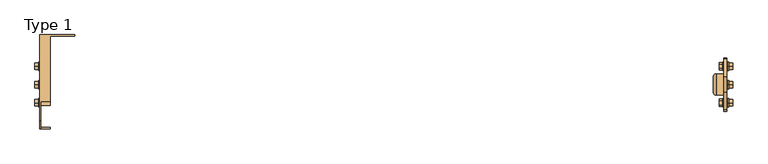
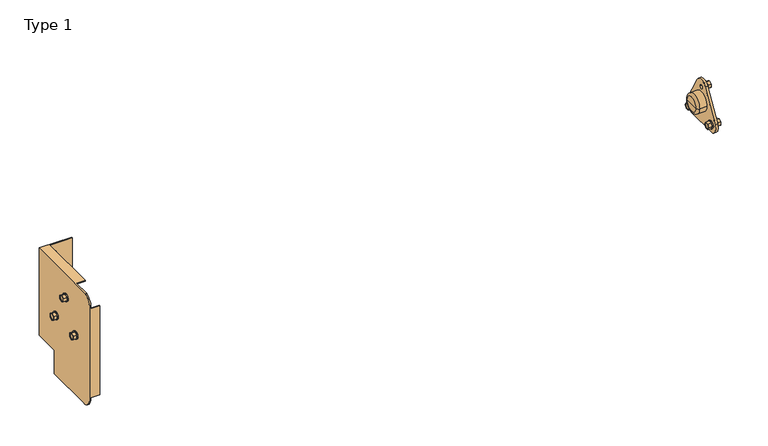
"""IFC4 building model written with IfcOpenShell, lengths in millimetres: door geometry, Type 1."""

import ifcopenshell
import ifcopenshell.guid

model = None  # the IFC model being written
_history = None  # IfcOwnerHistory: only IFC2X3 demands one
_inside = {}  # id of a spatial element -> (the spatial element, [elements in it])
_under = {}  # id of a project, library or spatial element -> (it, [spatial elements below it])
_declared = {}  # id of a project -> (the project, [libraries it declares])
_typed = {}  # id of a type object -> (the type object, [elements of that type])
_made_of = {}  # id of a material, layer set ... -> (it, [elements and type objects made of it])


def new_model(schema):
    """Start an empty IFC model of exactly this schema.

    Asked for "IFC4X3", IfcOpenShell would pick the latest addendum, in which some entities
    have other attributes; the version numbers below select the first issue.
    IFC2X3 requires an IfcOwnerHistory on every rooted entity: one is made here for all.
    """
    global model, _history
    if schema == "IFC4X3":
        model = ifcopenshell.file(schema_version=(4, 3, 0, 0))
    else:
        model = ifcopenshell.file(schema=schema)
    _inside.clear()
    _under.clear()
    _declared.clear()
    _typed.clear()
    _made_of.clear()
    _history = None
    if model.schema == "IFC2X3":
        org = make("IfcOrganization", Name="unknown")
        user = make(
            "IfcPersonAndOrganization",
            ThePerson=make("IfcPerson", FamilyName="unknown"),
            TheOrganization=org,
        )
        app = make(
            "IfcApplication",
            ApplicationDeveloper=org,
            Version="unknown",
            ApplicationFullName="unknown",
            ApplicationIdentifier="unknown",
        )
        _history = make(
            "IfcOwnerHistory",
            OwningUser=user,
            OwningApplication=app,
            ChangeAction="ADDED",
            CreationDate=0,
        )
    return model


def make(cls, **values):
    """One entity of the class cls with the attributes given. An attribute that is None is left unset."""
    return model.create_entity(
        cls, **{name: value for name, value in values.items() if value is not None}
    )


def rooted(cls, **values):
    """An entity with a GlobalId (a new one), such as an element, a storey or a relation."""
    return make(cls, GlobalId=ifcopenshell.guid.new(), OwnerHistory=_history, **values)


def si_unit(unit_type, name, prefix=None):
    """IfcSIUnit, for example si_unit("LENGTHUNIT", "METRE", prefix="MILLI")."""
    return make("IfcSIUnit", UnitType=unit_type, Prefix=prefix, Name=name)


def assignment(units):
    """IfcUnitAssignment: the units of a project."""
    return None if units is None else make("IfcUnitAssignment", Units=units)


def point(xyz):
    """IfcCartesianPoint."""
    return None if xyz is None else make("IfcCartesianPoint", Coordinates=xyz)


def direction(xyz):
    """IfcDirection."""
    return None if xyz is None else make("IfcDirection", DirectionRatios=xyz)


def frame(location, z_axis=None, x_axis=None):
    """IfcAxis2Placement3D, a coordinate frame: its origin and axes. An axis left out is left unset."""
    return make(
        "IfcAxis2Placement3D",
        Location=point(location),
        Axis=direction(z_axis),
        RefDirection=direction(x_axis),
    )


def frame_2d(location, x_axis=None):
    """IfcAxis2Placement2D, a coordinate frame in the plane: its origin and x axis."""
    return make(
        "IfcAxis2Placement2D", Location=point(location), RefDirection=direction(x_axis)
    )


def origin():
    """The frame at (0, 0, 0) with its axes left unset."""
    return frame((0.0, 0.0, 0.0))


def place(relative_to, where):
    """IfcLocalPlacement: puts the frame where relative to a parent placement (None: the world)."""
    return make(
        "IfcLocalPlacement", PlacementRelTo=relative_to, RelativePlacement=where
    )


def context(
    kind, dimensions, precision=None, world=None, true_north=None, identifier=None
):
    """IfcGeometricRepresentationContext, for example the 3D "Model" context."""
    return make(
        "IfcGeometricRepresentationContext",
        ContextIdentifier=identifier,
        ContextType=kind,
        CoordinateSpaceDimension=dimensions,
        Precision=precision,
        WorldCoordinateSystem=world,
        TrueNorth=true_north,
    )


def project(units=None, contexts=None):
    """IfcProject with its units and contexts."""
    return rooted(
        "IfcProject",
        Name="project",
        RepresentationContexts=contexts,
        UnitsInContext=assignment(units),
    )


def spatial(cls, under=None, at=None, **own):
    """A site, building, storey or space (cls), placed at a placement, below another one or the project."""
    s = rooted(cls, ObjectPlacement=at, **own)
    if under is not None:
        _under.setdefault(under.id(), (under, []))[1].append(s)
    return s


def polyline(points):
    """IfcPolyline through the points."""
    return make("IfcPolyline", Points=[point(p) for p in points])


def circle_curve(where, radius):
    """IfcCircle in the frame where."""
    return make("IfcCircle", Position=where, Radius=radius)


def ellipse_curve(where, semi_axis1, semi_axis2):
    """IfcEllipse in the frame where."""
    return make(
        "IfcEllipse", Position=where, SemiAxis1=semi_axis1, SemiAxis2=semi_axis2
    )


def trimmed(basis, trim1, trim2, sense, master):
    """IfcTrimmedCurve: the piece of a basis curve between two trims."""
    return make(
        "IfcTrimmedCurve",
        BasisCurve=basis,
        Trim1=trim1,
        Trim2=trim2,
        SenseAgreement=sense,
        MasterRepresentation=master,
    )


def segment(curve, same_sense, transition):
    """IfcCompositeCurveSegment."""
    return make(
        "IfcCompositeCurveSegment",
        Transition=transition,
        SameSense=same_sense,
        ParentCurve=curve,
    )


def composite_curve(segments, self_intersect=None):
    """IfcCompositeCurve: segments joined end to end."""
    return make("IfcCompositeCurve", Segments=segments, SelfIntersect=self_intersect)


def outline(outer, holes=None, kind="AREA"):
    """IfcArbitraryClosedProfileDef: a profile drawn as a closed curve; with holes, ...WithVoids."""
    if holes is None:
        return make("IfcArbitraryClosedProfileDef", ProfileType=kind, OuterCurve=outer)
    return make(
        "IfcArbitraryProfileDefWithVoids",
        ProfileType=kind,
        OuterCurve=outer,
        InnerCurves=holes,
    )


def extrude(swept, where, along, depth):
    """IfcExtrudedAreaSolid: the profile swept, set in the frame where, extruded along a direction by depth."""
    return make(
        "IfcExtrudedAreaSolid",
        SweptArea=swept,
        Position=where,
        ExtrudedDirection=direction(along),
        Depth=depth,
    )


def faces_of(points, faces, orient=None, outer=None):
    """IfcFace entities. A face is a list of loops; a loop is a list of indices into points, from 0.

    orient and outer hold one flag for each loop. By default every Orientation is true, the
    first loop of a face is its IfcFaceOuterBound and the others are IfcFaceBound.
    """
    made = []
    for i, loops in enumerate(faces):
        bounds = []
        for j, loop in enumerate(loops):
            is_outer = j == 0 if outer is None else outer[i][j]
            bounds.append(
                make(
                    "IfcFaceOuterBound" if is_outer else "IfcFaceBound",
                    Bound=make("IfcPolyLoop", Polygon=[points[k] for k in loop]),
                    Orientation=True if orient is None else orient[i][j],
                )
            )
        made.append(make("IfcFace", Bounds=bounds))
    return made


def faceted_brep(points, faces, orient=None, outer=None, voids=None):
    """IfcFacetedBrep: a solid bounded by flat faces; with voids (closed shells), ...WithVoids."""
    shared = [point(p) for p in points]
    hull = make("IfcClosedShell", CfsFaces=faces_of(shared, faces, orient, outer))
    if voids is None:
        return make("IfcFacetedBrep", Outer=hull)
    return make(
        "IfcFacetedBrepWithVoids",
        Outer=hull,
        Voids=[
            make(cls, CfsFaces=faces_of(shared, fs, o, b)) for cls, fs, o, b in voids
        ],
    )


def shape(context_of_items, identifier, shape_type, items):
    """IfcShapeRepresentation: the items that make up one representation, for example the "Body"."""
    return make(
        "IfcShapeRepresentation",
        ContextOfItems=context_of_items,
        RepresentationIdentifier=identifier,
        RepresentationType=shape_type,
        Items=items,
    )


def source(mapping_origin, context_of_items, identifier, shape_type, items):
    """IfcRepresentationMap: a shape defined once, which mapped items show again and again."""
    return make(
        "IfcRepresentationMap",
        MappingOrigin=mapping_origin,
        MappedRepresentation=shape(context_of_items, identifier, shape_type, items),
    )


def transform(
    local_origin,
    x_axis=None,
    y_axis=None,
    z_axis=None,
    scale=None,
    scale2=None,
    scale3=None,
    uniform=True,
):
    """IfcCartesianTransformationOperator3D, or its non-uniform kind. x_axis, y_axis, z_axis: its Axis1, 2, 3."""
    if uniform:
        return make(
            "IfcCartesianTransformationOperator3D",
            Axis1=direction(x_axis),
            Axis2=direction(y_axis),
            LocalOrigin=point(local_origin),
            Scale=scale,
            Axis3=direction(z_axis),
        )
    return make(
        "IfcCartesianTransformationOperator3DnonUniform",
        Axis1=direction(x_axis),
        Axis2=direction(y_axis),
        LocalOrigin=point(local_origin),
        Scale=scale,
        Axis3=direction(z_axis),
        Scale2=scale2,
        Scale3=scale3,
    )


def mapped(mapping_source, mapping_target):
    """IfcMappedItem: shows the shape of a source again, moved by a transform."""
    return make(
        "IfcMappedItem", MappingSource=mapping_source, MappingTarget=mapping_target
    )


def made_of(thing, what):
    """Note that an element or type object is made of a material, layer set ...; save() writes the relation."""
    if what is not None:
        _made_of.setdefault(what.id(), (what, []))[1].append(thing)
    return thing


def element(
    cls,
    number,
    at=None,
    inside=None,
    cuts=None,
    type_object=None,
    material=None,
    context=None,
    identifier="Body",
    shape_type=None,
    held_by="IfcProductDefinitionShape",
    body=None,
    shapes=None,
    **own,
):
    """One element of the class cls, such as IfcWall. Its Tag is "e" and its number.

    at: its placement. inside: the storey or other place that contains it. cuts: it is an
    opening in that element (IfcRelVoidsElement). A single representation is given by context,
    identifier, shape_type and body (its items); several are given by shapes. held_by: the class
    of the entity that holds the representations. save() writes the other relations.
    """
    e = rooted(cls, Tag="e%d" % number, ObjectPlacement=at, **own)
    if body is not None:
        shapes = [shape(context, identifier, shape_type, body)]
    if shapes is not None:
        e.Representation = make(held_by, Representations=shapes)
    if inside is not None:
        _inside.setdefault(inside.id(), (inside, []))[1].append(e)
    if cuts is not None:
        rooted(
            "IfcRelVoidsElement", RelatingBuildingElement=cuts, RelatedOpeningElement=e
        )
    if type_object is not None:
        _typed.setdefault(type_object.id(), (type_object, []))[1].append(e)
    return made_of(e, material)


def aggregate(whole, parts):
    """IfcRelAggregates: a whole, such as a stair, and the parts it consists of."""
    return rooted("IfcRelAggregates", RelatingObject=whole, RelatedObjects=parts)


def save(model, path):
    """Write the relations noted so far, then the file.

    IfcRelAggregates (storeys below a building ...), IfcRelContainedInSpatialStructure (elements
    in a storey), IfcRelDefinesByType, IfcRelAssociatesMaterial and IfcRelDeclares: one each for
    every whole, place, type object, material and project.
    """
    for whole, parts in _under.values():
        aggregate(whole, parts)
    for where, things in _inside.values():
        rooted(
            "IfcRelContainedInSpatialStructure",
            RelatedElements=things,
            RelatingStructure=where,
        )
    for kind, things in _typed.values():
        rooted("IfcRelDefinesByType", RelatedObjects=things, RelatingType=kind)
    for what, things in _made_of.values():
        rooted("IfcRelAssociatesMaterial", RelatedObjects=things, RelatingMaterial=what)
    for by, libraries in _declared.values():
        rooted("IfcRelDeclares", RelatingContext=by, RelatedDefinitions=libraries)
    model.write(path)


def plane_surface(at):
    """IfcPlane: the flat surface through the origin of the frame at, square to its z axis."""
    return make("IfcPlane", Position=at)


def cylinder_surface(at, radius):
    """IfcCylindricalSurface: all points at the distance radius from the z axis of the frame at."""
    return make("IfcCylindricalSurface", Position=at, Radius=radius)


def revolved_surface(curve, axis_point, axis_direction):
    """IfcSurfaceOfRevolution: the curve turned about the line through axis_point along axis_direction."""
    return make(
        "IfcSurfaceOfRevolution",
        SweptCurve=make("IfcArbitraryOpenProfileDef", ProfileType="CURVE", Curve=curve),
        AxisPosition=make("IfcAxis1Placement", Location=point(axis_point), Axis=direction(axis_direction)),
    )


def advanced_brep(points, edges, surfaces, faces):
    """IfcAdvancedBrep: a solid bounded by faces that lie on surfaces and meet in shared edges.

    An edge is (start, end): straight between two places in points (the first is 0);
    or (start, end, curve); or (start, end, curve, False) where it runs against its curve.
    A face is (place in surfaces, loops), or (place, loops, False) where it looks against
    its surface's normal. A loop lists edges by number (the first is 1), with a minus sign
    where the edge is run from its end to its start. The first loop is the outer one.
    """
    corners = [point(p) for p in points]
    vertices = [make("IfcVertexPoint", VertexGeometry=c) for c in corners]
    made = []
    for start, end, *more in edges:
        made.append(
            make(
                "IfcEdgeCurve",
                EdgeStart=vertices[start],
                EdgeEnd=vertices[end],
                EdgeGeometry=more[0] if more else make("IfcPolyline", Points=[corners[start], corners[end]]),
                SameSense=more[1] if len(more) > 1 else True,
            )
        )
    hull = []
    for where, loops, *sense in faces:
        bounds = []
        for j, loop in enumerate(loops):
            ring = [make("IfcOrientedEdge", EdgeElement=made[abs(k) - 1], Orientation=k > 0) for k in loop]
            bounds.append(
                make(
                    "IfcFaceOuterBound" if j == 0 else "IfcFaceBound",
                    Bound=make("IfcEdgeLoop", EdgeList=ring),
                    Orientation=True,
                )
            )
        hull.append(make("IfcAdvancedFace", Bounds=bounds, FaceSurface=surfaces[where], SameSense=sense[0] if sense else True))
    return make("IfcAdvancedBrep", Outer=make("IfcClosedShell", CfsFaces=hull))


def type_1_9fb91b3e(model_context):
    return source(origin(), model_context, "Body", "SolidModel", [
        faceted_brep([(633.7, -170.7981266, 2137.2589329), (633.7, -163.8018734, 2137.2589329), (633.7, -160.3037469, 2131.2), (633.7, -163.8018734, 2125.1410671), (633.7, -170.7981266, 2125.1410671), (633.7, -174.2962531, 2131.2), (633.7, -170.3, 2126.0038476), (633.7, -164.3, 2126.0038476), (633.7, -161.3, 2131.2), (633.7, -164.3, 2136.3961524), (633.7, -170.3, 2136.3961524), (633.7, -173.3, 2131.2), (640.7, -170.7981266, 2137.2589329), (640.7, -174.2962531, 2131.2), (640.7, -170.7981266, 2125.1410671), (640.7, -163.8018734, 2125.1410671), (640.7, -160.3037469, 2131.2), (640.7, -163.8018734, 2137.2589329), (634.7, -170.3, 2126.0038476), (634.7, -173.3, 2131.2), (634.7, -170.3, 2136.3961524), (634.7, -164.3, 2136.3961524), (634.7, -161.3, 2131.2), (634.7, -164.3, 2126.0038476)], [[[0, 1, 2, 3, 4, 5], [6, 7, 8, 9, 10, 11]], [[12, 13, 14, 15, 16, 17]], [[1, 0, 12, 17]], [[2, 1, 17, 16]], [[3, 2, 16, 15]], [[4, 3, 15, 14]], [[5, 4, 14, 13]], [[0, 5, 13, 12]], [[18, 19, 20, 21, 22, 23]], [[18, 23, 7, 6]], [[23, 22, 8, 7]], [[22, 21, 9, 8]], [[21, 20, 10, 9]], [[20, 19, 11, 10]], [[19, 18, 6, 11]]]),
        extrude(outline(composite_curve([segment(trimmed(circle_curve(frame_2d((-167.3, 2131.2)), 8.0), [point((-159.3, 2131.2))], [point((-175.3, 2131.2))], False, "CARTESIAN"), True, "CONTINUOUS"), segment(trimmed(circle_curve(frame_2d((-167.3, 2131.2)), 8.0), [point((-175.3, 2131.2))], [point((-159.3, 2131.2))], False, "CARTESIAN"), True, "CONTINUOUS")], self_intersect=False), holes=[composite_curve([segment(trimmed(circle_curve(frame_2d((-167.3, 2131.2)), 4.5), [point((-162.8, 2131.2))], [point((-171.8, 2131.2))], True, "CARTESIAN"), True, "CONTINUOUS"), segment(trimmed(circle_curve(frame_2d((-167.3, 2131.2)), 4.5), [point((-171.8, 2131.2))], [point((-162.8, 2131.2))], True, "CARTESIAN"), True, "CONTINUOUS")], self_intersect=False)]), frame((640.7, 0.0, 0.0), z_axis=(1.0, 0.0, 0.0), x_axis=(0.0, 1.0, 0.0)), (0.0, 0.0, 1.0), 2.0),
        faceted_brep([(633.7, -101.5981266, 2137.2589329), (633.7, -94.6018734, 2137.2589329), (633.7, -91.1037469, 2131.2), (633.7, -94.6018734, 2125.1410671), (633.7, -101.5981266, 2125.1410671), (633.7, -105.0962531, 2131.2), (633.7, -101.1, 2126.0038476), (633.7, -95.1, 2126.0038476), (633.7, -92.1, 2131.2), (633.7, -95.1, 2136.3961524), (633.7, -101.1, 2136.3961524), (633.7, -104.1, 2131.2), (640.7, -101.5981266, 2137.2589329), (640.7, -105.0962531, 2131.2), (640.7, -101.5981266, 2125.1410671), (640.7, -94.6018734, 2125.1410671), (640.7, -91.1037469, 2131.2), (640.7, -94.6018734, 2137.2589329), (634.7, -101.1, 2126.0038476), (634.7, -104.1, 2131.2), (634.7, -101.1, 2136.3961524), (634.7, -95.1, 2136.3961524), (634.7, -92.1, 2131.2), (634.7, -95.1, 2126.0038476)], [[[0, 1, 2, 3, 4, 5], [6, 7, 8, 9, 10, 11]], [[12, 13, 14, 15, 16, 17]], [[1, 0, 12, 17]], [[2, 1, 17, 16]], [[3, 2, 16, 15]], [[4, 3, 15, 14]], [[5, 4, 14, 13]], [[0, 5, 13, 12]], [[18, 19, 20, 21, 22, 23]], [[18, 23, 7, 6]], [[23, 22, 8, 7]], [[22, 21, 9, 8]], [[21, 20, 10, 9]], [[20, 19, 11, 10]], [[19, 18, 6, 11]]]),
        extrude(outline(composite_curve([segment(trimmed(circle_curve(frame_2d((-98.1, 2131.2)), 8.0), [point((-90.1, 2131.2))], [point((-106.1, 2131.2))], False, "CARTESIAN"), True, "CONTINUOUS"), segment(trimmed(circle_curve(frame_2d((-98.1, 2131.2)), 8.0), [point((-106.1, 2131.2))], [point((-90.1, 2131.2))], False, "CARTESIAN"), True, "CONTINUOUS")], self_intersect=False), holes=[composite_curve([segment(trimmed(circle_curve(frame_2d((-98.1, 2131.2)), 4.5), [point((-93.6, 2131.2))], [point((-102.6, 2131.2))], True, "CARTESIAN"), True, "CONTINUOUS"), segment(trimmed(circle_curve(frame_2d((-98.1, 2131.2)), 4.5), [point((-102.6, 2131.2))], [point((-93.6, 2131.2))], True, "CARTESIAN"), True, "CONTINUOUS")], self_intersect=False)]), frame((640.7, 0.0, 0.0), z_axis=(1.0, 0.0, 0.0), x_axis=(0.0, 1.0, 0.0)), (0.0, 0.0, 1.0), 2.0),
        advanced_brep(
        [(622.7, -147.7, 2161.2), (622.7, -117.7, 2161.2), (622.7, -132.7, 2161.2), (627.7, -152.7, 2161.2), (627.7, -112.7, 2161.2), (642.7, -152.7, 2161.2), (642.7, -112.7, 2161.2), (642.7, -132.7, 2161.2)],
        [
            (0, 1, circle_curve(frame((622.7, -132.7, 2161.2), z_axis=(-1.0, 0.0, 0.0), x_axis=(0.0, 1.0, 0.0)), 15.0)),
            (1, 2),
            (2, 0),
            (1, 0, circle_curve(frame((622.7, -132.7, 2161.2), z_axis=(-1.0, 0.0, 0.0), x_axis=(0.0, 1.0, 0.0)), 15.0)),
            (3, 4, circle_curve(frame((627.7, -132.7, 2161.2), z_axis=(-1.0, 0.0, 0.0), x_axis=(0.0, 1.0, 0.0)), 20.0)),
            (4, 1, circle_curve(frame((627.7, -117.7, 2161.2), z_axis=(0.0, 0.0, 1.0), x_axis=(0.0, -1.0, 0.0)), 5.0)),
            (0, 3, circle_curve(frame((627.7, -147.7, 2161.2), z_axis=(0.0, 0.0, 1.0), x_axis=(0.0, 1.0, 0.0)), 5.0)),
            (4, 3, circle_curve(frame((627.7, -132.7, 2161.2), z_axis=(-1.0, 0.0, 0.0), x_axis=(0.0, 1.0, 0.0)), 20.0)),
            (5, 6, circle_curve(frame((642.7, -132.7, 2161.2), z_axis=(-1.0, 0.0, 0.0), x_axis=(0.0, 1.0, 0.0)), 20.0)),
            (6, 4),
            (3, 5),
            (6, 5, circle_curve(frame((642.7, -132.7, 2161.2), z_axis=(-1.0, 0.0, 0.0), x_axis=(0.0, 1.0, 0.0)), 20.0)),
            (7, 6),
            (5, 7),
        ],
        [
            plane_surface(frame((622.7, -132.7, 2161.2), z_axis=(-1.0, 0.0, 0.0), x_axis=(0.0, 1.0, 0.0))),
            revolved_surface(trimmed(ellipse_curve(frame((627.7, -117.7, 2161.2), z_axis=(0.0, 0.0, -1.0), x_axis=(0.0, -1.0, 0.0)), 5.0, 5.0), [point((622.7, -117.7, 2161.2))], [point((627.7, -112.7, 2161.2))], True, "CARTESIAN"), (-1961.3581012, -132.7, 2161.2), (1.0, 0.0, 0.0)),
            cylinder_surface(frame((-1961.3581012, -132.7, 2161.2), z_axis=(1.0, 0.0, 0.0), x_axis=(0.0, 1.0, 0.0)), 20.0),
            plane_surface(frame((642.7, -132.7, 2161.2), z_axis=(1.0, 0.0, 0.0), x_axis=(0.0, 1.0, 0.0))),
        ],
        [
            (0, [[1, 2, 3]]),
            (0, [[4, -3, -2]]),
            (1, [[5, 6, -1, 7]]),
            (1, [[8, -7, -4, -6]]),
            (2, [[9, 10, -5, 11]]),
            (2, [[12, -11, -8, -10]]),
            (3, [[13, -9, 14]]),
            (3, [[-14, -12, -13]]),
        ],
    ),
        extrude(outline(composite_curve([segment(trimmed(circle_curve(frame_2d((-132.7, 2191.2)), 16.0), [point((-146.5605075, 2199.1928926))], [point((-118.8394925, 2199.1928926))], False, "CARTESIAN"), True, "CONTINUOUS"), segment(polyline([(-118.8394925, 2199.1928926), (-84.2394925, 2139.1928926)]), True, "CONTINUOUS"), segment(trimmed(circle_curve(frame_2d((-98.1, 2131.2)), 16.0), [point((-84.2394925, 2139.1928926))], [point((-98.1, 2115.2))], False, "CARTESIAN"), True, "CONTINUOUS"), segment(polyline([(-98.1, 2115.2), (-167.3, 2115.2)]), True, "CONTINUOUS"), segment(trimmed(circle_curve(frame_2d((-167.3, 2131.2)), 16.0), [point((-167.3, 2115.2))], [point((-181.1605075, 2139.1928926))], False, "CARTESIAN"), True, "CONTINUOUS"), segment(polyline([(-181.1605075, 2139.1928926), (-146.5605075, 2199.1928926)]), True, "CONTINUOUS")], self_intersect=False), holes=[composite_curve([segment(trimmed(circle_curve(frame_2d((-132.7, 2191.2)), 4.0), [point((-128.7, 2191.2))], [point((-136.7, 2191.2))], True, "CARTESIAN"), True, "CONTINUOUS"), segment(trimmed(circle_curve(frame_2d((-132.7, 2191.2)), 4.0), [point((-136.7, 2191.2))], [point((-128.7, 2191.2))], True, "CARTESIAN"), True, "CONTINUOUS")], self_intersect=False), composite_curve([segment(trimmed(circle_curve(frame_2d((-98.1, 2131.2)), 4.0), [point((-94.1, 2131.2))], [point((-102.1, 2131.2))], True, "CARTESIAN"), True, "CONTINUOUS"), segment(trimmed(circle_curve(frame_2d((-98.1, 2131.2)), 4.0), [point((-102.1, 2131.2))], [point((-94.1, 2131.2))], True, "CARTESIAN"), True, "CONTINUOUS")], self_intersect=False), composite_curve([segment(trimmed(circle_curve(frame_2d((-167.3, 2131.2)), 4.0), [point((-163.3, 2131.2))], [point((-171.3, 2131.2))], True, "CARTESIAN"), True, "CONTINUOUS"), segment(trimmed(circle_curve(frame_2d((-167.3, 2131.2)), 4.0), [point((-171.3, 2131.2))], [point((-163.3, 2131.2))], True, "CARTESIAN"), True, "CONTINUOUS")], self_intersect=False)]), frame((642.7, 0.0, 0.0), z_axis=(1.0, 0.0, 0.0), x_axis=(0.0, 1.0, 0.0)), (0.0, 0.0, 1.0), 5.0),
        faceted_brep([(-659.0, -104.1179168, 2134.6981266), (-659.0, -98.0589838, 2138.1962531), (-659.0, -92.0000509, 2134.6981266), (-659.0, -92.0000509, 2127.7018734), (-659.0, -98.0589838, 2124.2037469), (-659.0, -104.1179168, 2127.7018734), (-659.0, -92.8628314, 2134.2), (-659.0, -98.0589838, 2137.2), (-659.0, -103.2551363, 2134.2), (-659.0, -103.2551363, 2128.2), (-659.0, -98.0589838, 2125.2), (-659.0, -92.8628314, 2128.2), (-652.0, -104.1179168, 2134.6981266), (-652.0, -104.1179168, 2127.7018734), (-652.0, -98.0589838, 2124.2037469), (-652.0, -92.0000509, 2127.7018734), (-652.0, -92.0000509, 2134.6981266), (-652.0, -98.0589838, 2138.1962531), (-658.0, -92.8628314, 2134.2), (-658.0, -92.8628314, 2128.2), (-658.0, -98.0589838, 2125.2), (-658.0, -103.2551363, 2128.2), (-658.0, -103.2551363, 2134.2), (-658.0, -98.0589838, 2137.2)], [[[0, 1, 2, 3, 4, 5], [6, 7, 8, 9, 10, 11]], [[12, 13, 14, 15, 16, 17]], [[5, 13, 12, 0]], [[4, 14, 13, 5]], [[3, 15, 14, 4]], [[2, 16, 15, 3]], [[1, 17, 16, 2]], [[0, 12, 17, 1]], [[18, 19, 20, 21, 22, 23]], [[18, 6, 11, 19]], [[19, 11, 10, 20]], [[20, 10, 9, 21]], [[21, 9, 8, 22]], [[22, 8, 7, 23]], [[23, 7, 6, 18]]]),
        extrude(outline(composite_curve([segment(trimmed(circle_curve(frame_2d((-98.0589838, 2131.2)), 8.0), [point((-98.0589838, 2123.2))], [point((-98.0589838, 2139.2))], False, "CARTESIAN"), True, "CONTINUOUS"), segment(trimmed(circle_curve(frame_2d((-98.0589838, 2131.2)), 8.0), [point((-98.0589838, 2139.2))], [point((-98.0589838, 2123.2))], False, "CARTESIAN"), True, "CONTINUOUS")], self_intersect=False), holes=[composite_curve([segment(trimmed(circle_curve(frame_2d((-98.0589838, 2131.2)), 4.5), [point((-98.0589838, 2126.7))], [point((-98.0589838, 2135.7))], True, "CARTESIAN"), True, "CONTINUOUS"), segment(trimmed(circle_curve(frame_2d((-98.0589838, 2131.2)), 4.5), [point((-98.0589838, 2135.7))], [point((-98.0589838, 2126.7))], True, "CARTESIAN"), True, "CONTINUOUS")], self_intersect=False)]), frame((-652.0, 0.0, 0.0), z_axis=(1.0, 0.0, 0.0), x_axis=(0.0, 1.0, 0.0)), (0.0, 0.0, 1.0), 2.0),
        faceted_brep([(-659.0, -173.3999491, 2134.6981266), (-659.0, -167.3410162, 2138.1962531), (-659.0, -161.2820832, 2134.6981266), (-659.0, -161.2820832, 2127.7018734), (-659.0, -167.3410162, 2124.2037469), (-659.0, -173.3999491, 2127.7018734), (-659.0, -162.1448637, 2134.2), (-659.0, -167.3410162, 2137.2), (-659.0, -172.5371686, 2134.2), (-659.0, -172.5371686, 2128.2), (-659.0, -167.3410162, 2125.2), (-659.0, -162.1448637, 2128.2), (-652.0, -173.3999491, 2134.6981266), (-652.0, -173.3999491, 2127.7018734), (-652.0, -167.3410162, 2124.2037469), (-652.0, -161.2820832, 2127.7018734), (-652.0, -161.2820832, 2134.6981266), (-652.0, -167.3410162, 2138.1962531), (-658.0, -162.1448637, 2134.2), (-658.0, -162.1448637, 2128.2), (-658.0, -167.3410162, 2125.2), (-658.0, -172.5371686, 2128.2), (-658.0, -172.5371686, 2134.2), (-658.0, -167.3410162, 2137.2)], [[[0, 1, 2, 3, 4, 5], [6, 7, 8, 9, 10, 11]], [[12, 13, 14, 15, 16, 17]], [[5, 13, 12, 0]], [[4, 14, 13, 5]], [[3, 15, 14, 4]], [[2, 16, 15, 3]], [[1, 17, 16, 2]], [[0, 12, 17, 1]], [[18, 19, 20, 21, 22, 23]], [[18, 6, 11, 19]], [[19, 11, 10, 20]], [[20, 10, 9, 21]], [[21, 9, 8, 22]], [[22, 8, 7, 23]], [[23, 7, 6, 18]]]),
        extrude(outline(composite_curve([segment(trimmed(circle_curve(frame_2d((-167.3410162, 2131.2)), 8.0), [point((-167.3410162, 2123.2))], [point((-167.3410162, 2139.2))], False, "CARTESIAN"), True, "CONTINUOUS"), segment(trimmed(circle_curve(frame_2d((-167.3410162, 2131.2)), 8.0), [point((-167.3410162, 2139.2))], [point((-167.3410162, 2123.2))], False, "CARTESIAN"), True, "CONTINUOUS")], self_intersect=False), holes=[composite_curve([segment(trimmed(circle_curve(frame_2d((-167.3410162, 2131.2)), 4.5), [point((-167.3410162, 2126.7))], [point((-167.3410162, 2135.7))], True, "CARTESIAN"), True, "CONTINUOUS"), segment(trimmed(circle_curve(frame_2d((-167.3410162, 2131.2)), 4.5), [point((-167.3410162, 2135.7))], [point((-167.3410162, 2126.7))], True, "CARTESIAN"), True, "CONTINUOUS")], self_intersect=False)]), frame((-652.0, 0.0, 0.0), z_axis=(1.0, 0.0, 0.0), x_axis=(0.0, 1.0, 0.0)), (0.0, 0.0, 1.0), 2.0),
        faceted_brep([(-659.0, -138.7589329, 2194.6981266), (-659.0, -132.7, 2198.1962531), (-659.0, -126.6410671, 2194.6981266), (-659.0, -126.6410671, 2187.7018734), (-659.0, -132.7, 2184.2037469), (-659.0, -138.7589329, 2187.7018734), (-659.0, -127.5038476, 2194.2), (-659.0, -132.7, 2197.2), (-659.0, -137.8961524, 2194.2), (-659.0, -137.8961524, 2188.2), (-659.0, -132.7, 2185.2), (-659.0, -127.5038476, 2188.2), (-652.0, -138.7589329, 2194.6981266), (-652.0, -138.7589329, 2187.7018734), (-652.0, -132.7, 2184.2037469), (-652.0, -126.6410671, 2187.7018734), (-652.0, -126.6410671, 2194.6981266), (-652.0, -132.7, 2198.1962531), (-658.0, -127.5038476, 2194.2), (-658.0, -127.5038476, 2188.2), (-658.0, -132.7, 2185.2), (-658.0, -137.8961524, 2188.2), (-658.0, -137.8961524, 2194.2), (-658.0, -132.7, 2197.2)], [[[0, 1, 2, 3, 4, 5], [6, 7, 8, 9, 10, 11]], [[12, 13, 14, 15, 16, 17]], [[5, 13, 12, 0]], [[4, 14, 13, 5]], [[3, 15, 14, 4]], [[2, 16, 15, 3]], [[1, 17, 16, 2]], [[0, 12, 17, 1]], [[18, 19, 20, 21, 22, 23]], [[18, 6, 11, 19]], [[19, 11, 10, 20]], [[20, 10, 9, 21]], [[21, 9, 8, 22]], [[22, 8, 7, 23]], [[23, 7, 6, 18]]]),
        extrude(outline(composite_curve([segment(trimmed(circle_curve(frame_2d((-132.7, 2191.2)), 8.0), [point((-132.7, 2183.2))], [point((-132.7, 2199.2))], False, "CARTESIAN"), True, "CONTINUOUS"), segment(trimmed(circle_curve(frame_2d((-132.7, 2191.2)), 8.0), [point((-132.7, 2199.2))], [point((-132.7, 2183.2))], False, "CARTESIAN"), True, "CONTINUOUS")], self_intersect=False), holes=[composite_curve([segment(trimmed(circle_curve(frame_2d((-132.7, 2191.2)), 4.5), [point((-132.7, 2186.7))], [point((-132.7, 2195.7))], True, "CARTESIAN"), True, "CONTINUOUS"), segment(trimmed(circle_curve(frame_2d((-132.7, 2191.2)), 4.5), [point((-132.7, 2195.7))], [point((-132.7, 2186.7))], True, "CARTESIAN"), True, "CONTINUOUS")], self_intersect=False)]), frame((-652.0, 0.0, 0.0), z_axis=(1.0, 0.0, 0.0), x_axis=(0.0, 1.0, 0.0)), (0.0, 0.0, 1.0), 2.0),
        advanced_brep(
        [(-647.7, -194.5, 2001.0), (-647.7, -171.9, 2001.0), (-647.7, -171.9, 2003.3), (-647.7, -108.3, 2003.3), (-647.7, -108.3, 2001.0), (-647.7, -91.5, 2001.0), (-647.7, -91.5, 2052.0), (-647.7, -52.5, 2052.0), (-647.7, -52.5, 2054.3), (-647.7, -40.8, 2054.3), (-647.7, -40.8, 2237.7), (-647.7, -165.0, 2237.7), (-647.7, -165.0, 2240.0), (-647.7, -200.8030296, 2240.0), (-647.7, -216.5, 2218.7), (-647.7, -216.5, 2216.0), (-647.7, -214.2, 2216.0), (-647.7, -214.2, 2025.0), (-647.7, -216.5, 2025.0), (-647.7, -216.5, 2023.0), (-647.7, -132.7, 2186.7), (-647.7, -132.7, 2195.7), (-647.7, -167.3410162, 2126.7), (-647.7, -167.3410162, 2135.7), (-647.7, -98.0589838, 2126.7), (-647.7, -98.0589838, 2135.7), (-650.0, -194.5, 2001.0), (-650.0, -216.5, 2023.0), (-650.0, -216.5, 2218.7), (-650.0, -200.8030296, 2240.0), (-650.0, -38.5, 2240.0), (-650.0, -38.5, 2052.0), (-650.0, -91.5, 2052.0), (-650.0, -91.5, 2001.0), (-650.0, -132.7, 2195.7), (-650.0, -132.7, 2186.7), (-650.0, -167.3410162, 2135.7), (-650.0, -167.3410162, 2126.7), (-650.0, -98.0589838, 2135.7), (-650.0, -98.0589838, 2126.7), (-629.7, -108.3, 2001.0), (-629.7, -171.9, 2001.0), (-584.0, -38.5, 2052.0), (-584.0, -40.8, 2052.0), (-629.7, -40.8, 2052.0), (-629.7, -52.5, 2052.0), (-584.0, -38.5, 2240.0), (-616.7965975, -38.5, 2087.0750697), (-616.7965975, -38.5, 2090.8962284), (-623.2582481, -38.5, 2090.9721114), (-623.2586937, -38.5, 2087.0737385), (-616.7965975, -38.5, 2217.0561937), (-616.7965975, -38.5, 2220.8773524), (-623.2582481, -38.5, 2220.9532354), (-623.2586937, -38.5, 2217.0548626), (-629.7, -165.0, 2240.0), (-629.7, -40.8, 2240.0), (-584.0, -40.8, 2240.0), (-629.7, -216.5, 2025.0), (-629.7, -216.5, 2216.0), (-629.7, -40.8, 2237.7), (-629.7, -40.8, 2054.3), (-623.2586937, -40.8, 2087.0737385), (-623.2586937, -40.8, 2090.9721114), (-616.7965975, -40.8, 2090.8962284), (-616.7965975, -40.8, 2087.0750697), (-623.2586937, -40.8, 2217.0548626), (-623.2586937, -40.8, 2220.9532354), (-616.7965975, -40.8, 2220.8773524), (-616.7965975, -40.8, 2217.0561937), (-629.7, -108.3, 2003.3), (-629.7, -171.9, 2003.3), (-629.7, -214.2, 2025.0), (-629.7, -214.2, 2216.0), (-629.7, -165.0, 2237.7), (-629.7, -52.5, 2054.3)],
        [
            (0, 1),
            (1, 2),
            (2, 3),
            (3, 4),
            (4, 5),
            (5, 6),
            (6, 7),
            (7, 8),
            (8, 9),
            (9, 10),
            (10, 11),
            (11, 12),
            (12, 13),
            (13, 14, circle_curve(frame((-647.7, -194.2, 2218.7), z_axis=(1.0, 0.0, 0.0), x_axis=(0.0, 0.0, -1.0)), 22.3)),
            (14, 15),
            (15, 16),
            (16, 17),
            (17, 18),
            (18, 19),
            (19, 0, circle_curve(frame((-647.7, -194.5, 2023.0), z_axis=(1.0, 0.0, 0.0), x_axis=(0.0, 0.0, -1.0)), 22.0)),
            (20, 21, circle_curve(frame((-647.7, -132.7, 2191.2), z_axis=(-1.0, 0.0, 0.0), x_axis=(0.0, 0.0, -1.0)), 4.5)),
            (21, 20, circle_curve(frame((-647.7, -132.7, 2191.2), z_axis=(-1.0, 0.0, 0.0), x_axis=(0.0, 0.0, -1.0)), 4.5)),
            (22, 23, circle_curve(frame((-647.7, -167.3410162, 2131.2), z_axis=(-1.0, 0.0, 0.0), x_axis=(0.0, 0.0, -1.0)), 4.5)),
            (23, 22, circle_curve(frame((-647.7, -167.3410162, 2131.2), z_axis=(-1.0, 0.0, 0.0), x_axis=(0.0, 0.0, -1.0)), 4.5)),
            (24, 25, circle_curve(frame((-647.7, -98.0589838, 2131.2), z_axis=(-1.0, 0.0, 0.0), x_axis=(0.0, 0.0, -1.0)), 4.5)),
            (25, 24, circle_curve(frame((-647.7, -98.0589838, 2131.2), z_axis=(-1.0, 0.0, 0.0), x_axis=(0.0, 0.0, -1.0)), 4.5)),
            (26, 27, circle_curve(frame((-650.0, -194.5, 2023.0), z_axis=(-1.0, 0.0, 0.0), x_axis=(0.0, 0.0, -1.0)), 22.0)),
            (27, 28),
            (28, 29, circle_curve(frame((-650.0, -194.2, 2218.7), z_axis=(-1.0, 0.0, 0.0), x_axis=(0.0, 0.0, -1.0)), 22.3)),
            (29, 30),
            (30, 31),
            (31, 32),
            (32, 33),
            (33, 26),
            (34, 35, circle_curve(frame((-650.0, -132.7, 2191.2), z_axis=(1.0, 0.0, 0.0), x_axis=(0.0, 0.0, -1.0)), 4.5)),
            (35, 34, circle_curve(frame((-650.0, -132.7, 2191.2), z_axis=(1.0, 0.0, 0.0), x_axis=(0.0, 0.0, -1.0)), 4.5)),
            (36, 37, circle_curve(frame((-650.0, -167.3410162, 2131.2), z_axis=(1.0, 0.0, 0.0), x_axis=(0.0, 0.0, -1.0)), 4.5)),
            (37, 36, circle_curve(frame((-650.0, -167.3410162, 2131.2), z_axis=(1.0, 0.0, 0.0), x_axis=(0.0, 0.0, -1.0)), 4.5)),
            (38, 39, circle_curve(frame((-650.0, -98.0589838, 2131.2), z_axis=(1.0, 0.0, 0.0), x_axis=(0.0, 0.0, -1.0)), 4.5)),
            (39, 38, circle_curve(frame((-650.0, -98.0589838, 2131.2), z_axis=(1.0, 0.0, 0.0), x_axis=(0.0, 0.0, -1.0)), 4.5)),
            (33, 5),
            (4, 40),
            (40, 41),
            (41, 1),
            (0, 26),
            (32, 6),
            (31, 42),
            (42, 43),
            (43, 44),
            (44, 45),
            (45, 7),
            (30, 46),
            (46, 42),
            (47, 48),
            (48, 49, circle_curve(frame((-620.0269772, -38.5, 2090.9721114), z_axis=(0.0, -1.0, 0.0), x_axis=(-1.0, 0.0, 0.0)), 3.2312709)),
            (49, 50),
            (50, 47, circle_curve(frame((-620.0260861, -38.5, 2079.5035949), z_axis=(0.0, -1.0, 0.0), x_axis=(0.3923351593881129, 0.0, 0.9198223321424112)), 8.2314535)),
            (51, 52),
            (52, 53, circle_curve(frame((-620.0269772, -38.5, 2220.9532354), z_axis=(0.0, -1.0, 0.0), x_axis=(-1.0, 0.0, 0.0)), 3.2312709)),
            (53, 54),
            (54, 51, circle_curve(frame((-620.0260861, -38.5, 2209.484719), z_axis=(0.0, -1.0, 0.0), x_axis=(0.39233515938808705, 0.0, 0.9198223321424223)), 8.2314535)),
            (12, 55),
            (55, 56),
            (56, 57),
            (57, 46),
            (29, 13),
            (27, 19),
            (18, 58),
            (58, 59),
            (59, 15),
            (14, 28),
            (57, 43),
            (56, 60),
            (60, 10),
            (9, 61),
            (61, 44),
            (62, 63),
            (63, 64, circle_curve(frame((-620.0269772, -40.8, 2090.9721114), z_axis=(0.0, 1.0, 0.0), x_axis=(-1.0, 0.0, 0.0)), 3.2312709)),
            (64, 65),
            (65, 62, circle_curve(frame((-620.0260861, -40.8, 2079.5035949), z_axis=(0.0, 1.0, 0.0), x_axis=(0.3923351593881129, 0.0, 0.9198223321424112)), 8.2314535)),
            (66, 67),
            (67, 68, circle_curve(frame((-620.0269772, -40.8, 2220.9532354), z_axis=(0.0, 1.0, 0.0), x_axis=(-1.0, 0.0, 0.0)), 3.2312709)),
            (68, 69),
            (69, 66, circle_curve(frame((-620.0260861, -40.8, 2209.484719), z_axis=(0.0, 1.0, 0.0), x_axis=(0.39233515938808705, 0.0, 0.9198223321424223)), 8.2314535)),
            (40, 70),
            (70, 71),
            (71, 41),
            (3, 70),
            (2, 71),
            (72, 73),
            (73, 59),
            (58, 72),
            (72, 17),
            (16, 73),
            (74, 60),
            (55, 74),
            (11, 74),
            (50, 62),
            (65, 47),
            (64, 48),
            (63, 49),
            (54, 66),
            (69, 51),
            (68, 52),
            (67, 53),
            (61, 75),
            (75, 45),
            (8, 75),
            (21, 34),
            (35, 20),
            (23, 36),
            (37, 22),
            (25, 38),
            (39, 24),
        ],
        [
            plane_surface(frame((-647.7, 266.3, 2001.0), z_axis=(1.0, 0.0, 0.0), x_axis=(0.0, -1.0, 0.0))),
            plane_surface(frame((-650.0, 266.3, 2001.0), z_axis=(-1.0, 0.0, 0.0), x_axis=(0.0, 1.0, 0.0))),
            plane_surface(frame((-650.0, -194.5, 2001.0), z_axis=(0.0, 0.0, -1.0), x_axis=(1.0, 0.0, 0.0))),
            plane_surface(frame((-650.0, -91.5, 2001.0), z_axis=(0.0, 1.0, 0.0), x_axis=(1.0, 0.0, 0.0))),
            plane_surface(frame((-650.0, -91.5, 2052.0), z_axis=(0.0, 0.0, -1.0), x_axis=(1.0, 0.0, 0.0))),
            plane_surface(frame((-650.0, -38.5, 2052.0), z_axis=(0.0, 1.0, 0.0), x_axis=(1.0, 0.0, 0.0))),
            plane_surface(frame((-650.0, -38.5, 2240.0), z_axis=(0.0, 0.0, 1.0), x_axis=(1.0, 0.0, 0.0))),
            plane_surface(frame((-650.0, -216.5, 2218.7), z_axis=(0.0, -1.0, 0.0), x_axis=(1.0, 0.0, 0.0))),
            cylinder_surface(frame((-647.7, -194.5, 2023.0), z_axis=(-1.0, 0.0, 0.0), x_axis=(0.0, 0.0, -1.0)), 22.0),
            plane_surface(frame((-584.0, -40.8, 3465.2630168), z_axis=(1.0, 0.0, 0.0), x_axis=(0.0, 0.0, 1.0))),
            plane_surface(frame((-650.0, -40.8, 2240.0), z_axis=(0.0, -1.0, 0.0), x_axis=(1.0, 0.0, 0.0))),
            plane_surface(frame((-629.7, -108.3, 2120.9011398), z_axis=(1.0, 0.0, 0.0), x_axis=(0.0, 0.0, -1.0))),
            plane_surface(frame((-647.7, -108.3, 2001.0), z_axis=(0.0, 1.0, 0.0), x_axis=(1.0, 0.0, 0.0))),
            plane_surface(frame((-647.7, -108.3, 2003.3), z_axis=(0.0, 0.0, 1.0), x_axis=(1.0, 0.0, 0.0))),
            plane_surface(frame((-647.7, -171.9, 2003.3), z_axis=(0.0, -1.0, 0.0), x_axis=(1.0, 0.0, 0.0))),
            plane_surface(frame((-629.7, -214.2, 2434.7159675), z_axis=(1.0, 0.0, 0.0), x_axis=(0.0, 0.0, -1.0))),
            plane_surface(frame((-647.7, -214.2, 2025.0), z_axis=(0.0, 1.0, 0.0), x_axis=(1.0, 0.0, 0.0))),
            plane_surface(frame((-647.7, -214.2, 2216.0), z_axis=(0.0, 0.0, 1.0), x_axis=(1.0, 0.0, 0.0))),
            plane_surface(frame((-647.7, -216.5, 2025.0), z_axis=(0.0, 0.0, -1.0), x_axis=(1.0, 0.0, 0.0))),
            plane_surface(frame((-629.7, -38.5, 3465.2630168), z_axis=(1.0, 0.0, 0.0), x_axis=(0.0, 0.0, -1.0))),
            plane_surface(frame((-647.7, -165.0, 2240.0), z_axis=(0.0, -1.0, 0.0), x_axis=(1.0, 0.0, 0.0))),
            plane_surface(frame((-647.7, -165.0, 2237.7), z_axis=(0.0, 0.0, -1.0), x_axis=(1.0, 0.0, 0.0))),
            revolved_surface(polyline([(-616.7965974790817, -38.5, 2087.075069655292), (-616.7965974790817, -40.8, 2087.075069655292)]), (-620.0260861, -40.8, 2079.5035949), (0.0, 1.0, 0.0)),
            plane_surface(frame((-616.7965975, -38.5, 2087.0750697), z_axis=(-1.0, 0.0, 0.0), x_axis=(0.0, -1.0, 0.0))),
            revolved_surface(polyline([(-623.2582481000001, -38.5, 2090.9721114), (-623.2582481000001, -40.8, 2090.9721114)]), (-620.0269772, -40.8, 2090.9721114), (0.0, 1.0, 0.0)),
            plane_surface(frame((-623.2586937, -38.5, 2090.9721114), z_axis=(1.0, 0.0, 0.0), x_axis=(0.0, -1.0, 0.0))),
            revolved_surface(polyline([(-616.7965974790819, -38.5, 2217.056193755292), (-616.7965974790819, -40.8, 2217.056193755292)]), (-620.0260861, -38.5, 2209.484719), (0.0, 1.0000000000000002, 0.0)),
            plane_surface(frame((-616.7965975, -38.5, 2217.0561937), z_axis=(-1.0, 0.0, 0.0), x_axis=(0.0, -1.0, 0.0))),
            revolved_surface(polyline([(-623.2582481000001, -38.5, 2220.9532354), (-623.2582481000001, -40.8, 2220.9532354)]), (-620.0269772, -38.5, 2220.9532354), (0.0, 1.0, 0.0)),
            plane_surface(frame((-623.2586937, -38.5, 2220.9532354), z_axis=(1.0, 0.0, 0.0), x_axis=(0.0, -1.0, 0.0))),
            plane_surface(frame((-629.7, -38.5, 3219.2), z_axis=(1.0, 0.0, 0.0), x_axis=(0.0, 0.0, -1.0))),
            plane_surface(frame((-647.7, -38.5, 2054.3), z_axis=(0.0, 0.0, 1.0), x_axis=(1.0, 0.0, 0.0))),
            plane_surface(frame((-647.7, -52.5, 2054.3), z_axis=(0.0, -1.0, 0.0), x_axis=(1.0, 0.0, 0.0))),
            revolved_surface(polyline([(-647.7, -132.7, 2186.7), (-650.0, -132.7, 2186.7)]), (-650.0, -132.7, 2191.2), (1.0, 0.0, 0.0)),
            revolved_surface(polyline([(-647.7, -167.3410162, 2126.7), (-650.0, -167.3410162, 2126.7)]), (-650.0, -167.3410162, 2131.2), (1.0, 0.0, 0.0)),
            revolved_surface(polyline([(-647.7, -98.0589838, 2126.7), (-650.0, -98.0589838, 2126.7)]), (-650.0, -98.0589838, 2131.2), (1.0, 0.0, 0.0)),
            cylinder_surface(frame((-647.7, -194.2, 2218.7), z_axis=(-1.0, 0.0, 0.0), x_axis=(0.0, 0.0, -1.0)), 22.3),
        ],
        [
            (0, [[1, 2, 3, 4, 5, 6, 7, 8, 9, 10, 11, 12, 13, 14, 15, 16, 17, 18, 19, 20], [21, 22], [23, 24], [25, 26]]),
            (1, [[27, 28, 29, 30, 31, 32, 33, 34], [35, 36], [37, 38], [39, 40]]),
            (2, [[41, -5, 42, 43, 44, -1, 45, -34]]),
            (3, [[-41, -33, 46, -6]]),
            (4, [[-32, 47, 48, 49, 50, 51, -7, -46]]),
            (5, [[52, 53, -47, -31], [54, 55, 56, 57], [58, 59, 60, 61]]),
            (6, [[-13, 62, 63, 64, 65, -52, -30, 66]]),
            (7, [[67, -19, 68, 69, 70, -15, 71, -28]]),
            (8, [[-67, -27, -45, -20]]),
            (9, [[72, -48, -53, -65]]),
            (10, [[-64, 73, 74, -10, 75, 76, -49, -72], [77, 78, 79, 80], [81, 82, 83, 84]]),
            (11, [[85, 86, 87, -43]]),
            (12, [[-42, -4, 88, -85]]),
            (13, [[-88, -3, 89, -86]]),
            (14, [[-89, -2, -44, -87]]),
            (15, [[90, 91, -69, 92]]),
            (16, [[93, -17, 94, -90]]),
            (17, [[-94, -16, -70, -91]]),
            (18, [[-68, -18, -93, -92]]),
            (19, [[95, -73, -63, 96]]),
            (20, [[-62, -12, 97, -96]]),
            (21, [[-11, -74, -95, -97]]),
            (22, [[-57, 98, -80, 99]]),
            (23, [[-79, 100, -54, -99]]),
            (24, [[-78, 101, -55, -100]]),
            (25, [[-56, -101, -77, -98]]),
            (26, [[-61, 102, -84, 103]]),
            (27, [[-83, 104, -58, -103]]),
            (28, [[-82, 105, -59, -104]]),
            (29, [[-60, -105, -81, -102]]),
            (30, [[-50, -76, 106, 107]]),
            (31, [[-106, -75, -9, 108]]),
            (32, [[-108, -8, -51, -107]]),
            (33, [[-22, 109, -36, 110]]),
            (33, [[-35, -109, -21, -110]]),
            (34, [[-24, 111, -38, 112]]),
            (34, [[-37, -111, -23, -112]]),
            (35, [[-26, 113, -40, 114]]),
            (35, [[-39, -113, -25, -114]]),
            (36, [[-66, -29, -71, -14]]),
        ],
    ),
        faceted_brep([(659.0, -104.1179168, 2134.6981266), (659.0, -104.1179168, 2127.7018734), (659.0, -98.0589838, 2124.2037469), (659.0, -92.0000509, 2127.7018734), (659.0, -92.0000509, 2134.6981266), (659.0, -98.0589838, 2138.1962531), (659.0, -92.8628314, 2134.2), (659.0, -92.8628314, 2128.2), (659.0, -98.0589838, 2125.2), (659.0, -103.2551363, 2128.2), (659.0, -103.2551363, 2134.2), (659.0, -98.0589838, 2137.2), (652.0, -104.1179168, 2134.6981266), (652.0, -98.0589838, 2138.1962531), (652.0, -92.0000509, 2134.6981266), (652.0, -92.0000509, 2127.7018734), (652.0, -98.0589838, 2124.2037469), (652.0, -104.1179168, 2127.7018734), (658.0, -92.8628314, 2134.2), (658.0, -98.0589838, 2137.2), (658.0, -103.2551363, 2134.2), (658.0, -103.2551363, 2128.2), (658.0, -98.0589838, 2125.2), (658.0, -92.8628314, 2128.2)], [[[0, 1, 2, 3, 4, 5], [6, 7, 8, 9, 10, 11]], [[12, 13, 14, 15, 16, 17]], [[1, 0, 12, 17]], [[2, 1, 17, 16]], [[3, 2, 16, 15]], [[4, 3, 15, 14]], [[5, 4, 14, 13]], [[0, 5, 13, 12]], [[18, 19, 20, 21, 22, 23]], [[18, 23, 7, 6]], [[23, 22, 8, 7]], [[22, 21, 9, 8]], [[21, 20, 10, 9]], [[20, 19, 11, 10]], [[19, 18, 6, 11]]]),
        extrude(outline(composite_curve([segment(trimmed(circle_curve(frame_2d((-98.0589838, 2131.2)), 8.0), [point((-98.0589838, 2123.2))], [point((-98.0589838, 2139.2))], False, "CARTESIAN"), True, "CONTINUOUS"), segment(trimmed(circle_curve(frame_2d((-98.0589838, 2131.2)), 8.0), [point((-98.0589838, 2139.2))], [point((-98.0589838, 2123.2))], False, "CARTESIAN"), True, "CONTINUOUS")], self_intersect=False), holes=[composite_curve([segment(trimmed(circle_curve(frame_2d((-98.0589838, 2131.2)), 4.5), [point((-98.0589838, 2126.7))], [point((-98.0589838, 2135.7))], True, "CARTESIAN"), True, "CONTINUOUS"), segment(trimmed(circle_curve(frame_2d((-98.0589838, 2131.2)), 4.5), [point((-98.0589838, 2135.7))], [point((-98.0589838, 2126.7))], True, "CARTESIAN"), True, "CONTINUOUS")], self_intersect=False)]), frame((650.0, 0.0, 0.0), z_axis=(1.0, 0.0, 0.0), x_axis=(0.0, 1.0, 0.0)), (0.0, 0.0, 1.0), 2.0),
        faceted_brep([(659.0, -173.3999491, 2134.6981266), (659.0, -173.3999491, 2127.7018734), (659.0, -167.3410162, 2124.2037469), (659.0, -161.2820832, 2127.7018734), (659.0, -161.2820832, 2134.6981266), (659.0, -167.3410162, 2138.1962531), (659.0, -162.1448637, 2134.2), (659.0, -162.1448637, 2128.2), (659.0, -167.3410162, 2125.2), (659.0, -172.5371686, 2128.2), (659.0, -172.5371686, 2134.2), (659.0, -167.3410162, 2137.2), (652.0, -173.3999491, 2134.6981266), (652.0, -167.3410162, 2138.1962531), (652.0, -161.2820832, 2134.6981266), (652.0, -161.2820832, 2127.7018734), (652.0, -167.3410162, 2124.2037469), (652.0, -173.3999491, 2127.7018734), (658.0, -162.1448637, 2134.2), (658.0, -167.3410162, 2137.2), (658.0, -172.5371686, 2134.2), (658.0, -172.5371686, 2128.2), (658.0, -167.3410162, 2125.2), (658.0, -162.1448637, 2128.2)], [[[0, 1, 2, 3, 4, 5], [6, 7, 8, 9, 10, 11]], [[12, 13, 14, 15, 16, 17]], [[1, 0, 12, 17]], [[2, 1, 17, 16]], [[3, 2, 16, 15]], [[4, 3, 15, 14]], [[5, 4, 14, 13]], [[0, 5, 13, 12]], [[18, 19, 20, 21, 22, 23]], [[18, 23, 7, 6]], [[23, 22, 8, 7]], [[22, 21, 9, 8]], [[21, 20, 10, 9]], [[20, 19, 11, 10]], [[19, 18, 6, 11]]]),
        extrude(outline(composite_curve([segment(trimmed(circle_curve(frame_2d((-167.3410162, 2131.2)), 8.0), [point((-167.3410162, 2123.2))], [point((-167.3410162, 2139.2))], False, "CARTESIAN"), True, "CONTINUOUS"), segment(trimmed(circle_curve(frame_2d((-167.3410162, 2131.2)), 8.0), [point((-167.3410162, 2139.2))], [point((-167.3410162, 2123.2))], False, "CARTESIAN"), True, "CONTINUOUS")], self_intersect=False), holes=[composite_curve([segment(trimmed(circle_curve(frame_2d((-167.3410162, 2131.2)), 4.5), [point((-167.3410162, 2126.7))], [point((-167.3410162, 2135.7))], True, "CARTESIAN"), True, "CONTINUOUS"), segment(trimmed(circle_curve(frame_2d((-167.3410162, 2131.2)), 4.5), [point((-167.3410162, 2135.7))], [point((-167.3410162, 2126.7))], True, "CARTESIAN"), True, "CONTINUOUS")], self_intersect=False)]), frame((650.0, 0.0, 0.0), z_axis=(1.0, 0.0, 0.0), x_axis=(0.0, 1.0, 0.0)), (0.0, 0.0, 1.0), 2.0),
        faceted_brep([(659.0, -138.7589329, 2194.6981266), (659.0, -138.7589329, 2187.7018734), (659.0, -132.7, 2184.2037469), (659.0, -126.6410671, 2187.7018734), (659.0, -126.6410671, 2194.6981266), (659.0, -132.7, 2198.1962531), (659.0, -127.5038476, 2194.2), (659.0, -127.5038476, 2188.2), (659.0, -132.7, 2185.2), (659.0, -137.8961524, 2188.2), (659.0, -137.8961524, 2194.2), (659.0, -132.7, 2197.2), (652.0, -138.7589329, 2194.6981266), (652.0, -132.7, 2198.1962531), (652.0, -126.6410671, 2194.6981266), (652.0, -126.6410671, 2187.7018734), (652.0, -132.7, 2184.2037469), (652.0, -138.7589329, 2187.7018734), (658.0, -127.5038476, 2194.2), (658.0, -132.7, 2197.2), (658.0, -137.8961524, 2194.2), (658.0, -137.8961524, 2188.2), (658.0, -132.7, 2185.2), (658.0, -127.5038476, 2188.2)], [[[0, 1, 2, 3, 4, 5], [6, 7, 8, 9, 10, 11]], [[12, 13, 14, 15, 16, 17]], [[1, 0, 12, 17]], [[2, 1, 17, 16]], [[3, 2, 16, 15]], [[4, 3, 15, 14]], [[5, 4, 14, 13]], [[0, 5, 13, 12]], [[18, 19, 20, 21, 22, 23]], [[18, 23, 7, 6]], [[23, 22, 8, 7]], [[22, 21, 9, 8]], [[21, 20, 10, 9]], [[20, 19, 11, 10]], [[19, 18, 6, 11]]]),
        extrude(outline(composite_curve([segment(trimmed(circle_curve(frame_2d((-132.7, 2191.2)), 8.0), [point((-132.7, 2183.2))], [point((-132.7, 2199.2))], False, "CARTESIAN"), True, "CONTINUOUS"), segment(trimmed(circle_curve(frame_2d((-132.7, 2191.2)), 8.0), [point((-132.7, 2199.2))], [point((-132.7, 2183.2))], False, "CARTESIAN"), True, "CONTINUOUS")], self_intersect=False), holes=[composite_curve([segment(trimmed(circle_curve(frame_2d((-132.7, 2191.2)), 4.5), [point((-132.7, 2186.7))], [point((-132.7, 2195.7))], True, "CARTESIAN"), True, "CONTINUOUS"), segment(trimmed(circle_curve(frame_2d((-132.7, 2191.2)), 4.5), [point((-132.7, 2195.7))], [point((-132.7, 2186.7))], True, "CARTESIAN"), True, "CONTINUOUS")], self_intersect=False)]), frame((650.0, 0.0, 0.0), z_axis=(1.0, 0.0, 0.0), x_axis=(0.0, 1.0, 0.0)), (0.0, 0.0, 1.0), 2.0),
    ])


if __name__ == "__main__":
    model = new_model("IFC4")
    model_context = context("Model", 3, world=origin())
    ifc_project = project(units=[si_unit("LENGTHUNIT", "METRE", prefix="MILLI")], contexts=[model_context])
    site = spatial("IfcSite", under=ifc_project)
    building = spatial("IfcBuilding", under=site)
    placement = place(None, origin())
    type_1_shape = type_1_9fb91b3e(model_context)
    element("IfcDoor", 1, ObjectType="Type 1", at=placement, inside=building, context=model_context, shape_type="MappedRepresentation", body=[
        mapped(type_1_shape, transform((0.0, 0.0, 0.0), x_axis=(1.0, 0.0, 0.0), y_axis=(0.0, 1.0, 0.0), z_axis=(0.0, 0.0, 1.0))),
    ])
    save(model, "model.ifc")
